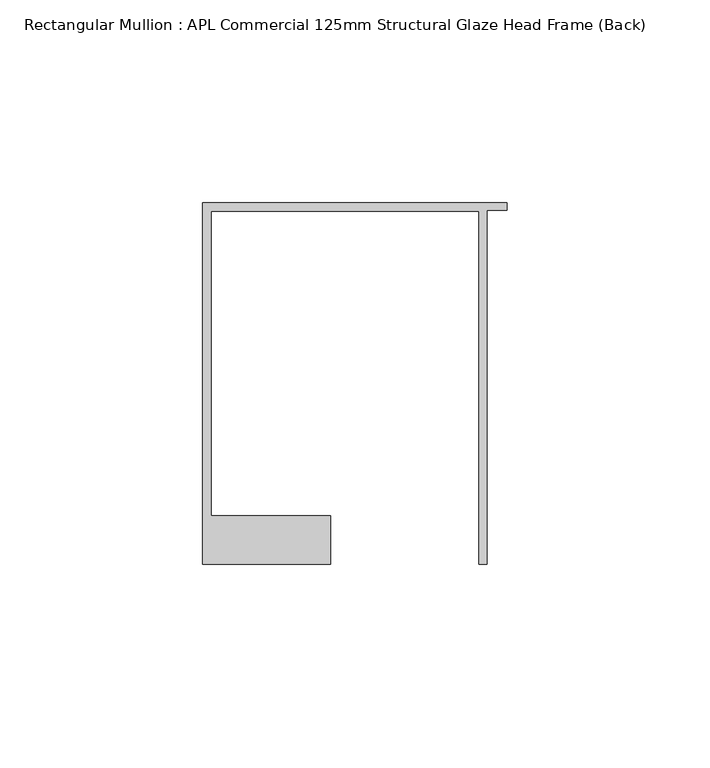
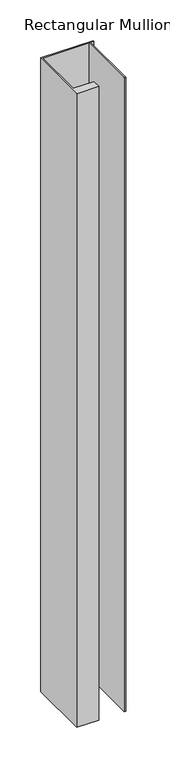
"""IFC4 building model written with IfcOpenShell, lengths in millimetres: member geometry, Rectangular Mullion : APL Commercial 125mm Structural Glaze Head Frame (Back)."""

from ifc_helpers import new_model, si_unit, frame, origin, place, context, project, spatial, polyline, outline, extrude, source, transform, mapped, element, save


def rectangular_mullion_apl_commercial_125mm_structural_glaze_cbb65562(model_context):
    return source(origin(), model_context, "Body", "SweptSolid", [
        extrude(outline(polyline([(-75.0, 103.9993063), (0.0, 103.9993063), (0.0, 102.1993063), (-5.0, 102.1993063), (-5.0, 14.9998342), (-7.0, 14.9998342), (-7.0, 101.9993063), (-73.0, 101.9993063), (-73.0, 26.9997514), (-43.5000151, 26.9997514), (-43.5000151, 14.9998342), (-75.0, 14.9998342), (-75.0, 103.9993063)])), frame((0.0, 0.0, -955.0460227), z_axis=(0.0, 0.0, 1.0), x_axis=(1.0, 0.0, 0.0)), (0.0, 0.0, 1.0), 955.0460227),
    ])


if __name__ == "__main__":
    model = new_model("IFC4")
    model_context = context("Model", 3, world=origin())
    ifc_project = project(units=[si_unit("LENGTHUNIT", "METRE", prefix="MILLI")], contexts=[model_context])
    site = spatial("IfcSite", under=ifc_project)
    building = spatial("IfcBuilding", under=site)
    placement = place(None, origin())
    rectangular_mullion_apl_commercial_125mm_structural_glaze_shape = rectangular_mullion_apl_commercial_125mm_structural_glaze_cbb65562(model_context)
    element("IfcMember", 1, ObjectType="Rectangular Mullion : APL Commercial 125mm Structural Glaze Head Frame (Back)", at=placement, inside=building, context=model_context, shape_type="MappedRepresentation", body=[
        mapped(rectangular_mullion_apl_commercial_125mm_structural_glaze_shape, transform((0.0, 0.0, 0.0), x_axis=(1.0, 0.0, 0.0), y_axis=(0.0, 1.0, 0.0), z_axis=(0.0, 0.0, 1.0))),
    ])
    save(model, "model.ifc")
